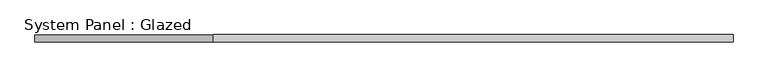
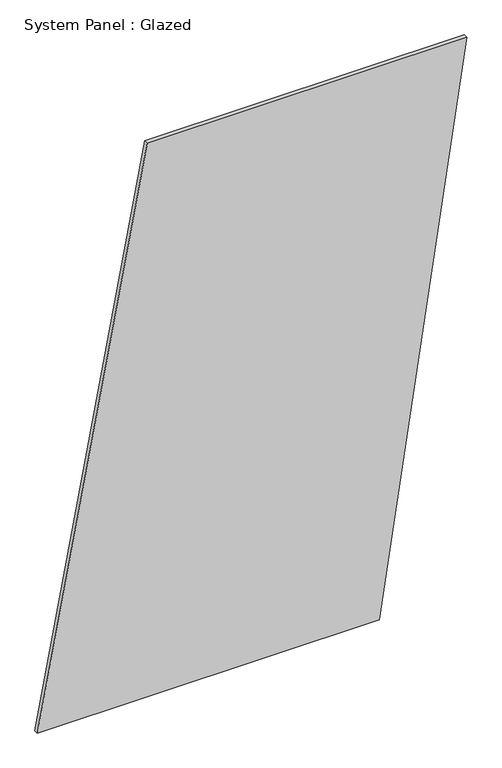
"""IFC4 building model written with IfcOpenShell, lengths in millimetres: plate geometry, System Panel : Glazed."""

from ifc_helpers import new_model, si_unit, frame, origin, place, context, project, spatial, polyline, outline, extrude, source, transform, mapped, element, save


def system_panel_glazed_f274db74(model_context):
    return source(origin(), model_context, "Body", "SweptSolid", [
        extrude(outline(polyline([(0.0, -1223.176603), (0.0, 723.0454462), (3333.4344564, 1223.176603), (3333.4344564, -598.012657), (0.0, -1223.176603)])), frame((0.0, -49.5, 0.0), z_axis=(0.0, 1.0, 0.0), x_axis=(0.0, 0.0, 1.0)), (0.0, 0.0, 1.0), 25.0),
    ])


if __name__ == "__main__":
    model = new_model("IFC4")
    model_context = context("Model", 3, world=origin())
    ifc_project = project(units=[si_unit("LENGTHUNIT", "METRE", prefix="MILLI")], contexts=[model_context])
    site = spatial("IfcSite", under=ifc_project)
    building = spatial("IfcBuilding", under=site)
    placement = place(None, origin())
    system_panel_glazed_shape = system_panel_glazed_f274db74(model_context)
    element("IfcPlate", 1, ObjectType="System Panel : Glazed", at=placement, inside=building, context=model_context, shape_type="MappedRepresentation", body=[
        mapped(system_panel_glazed_shape, transform((0.0, 0.0, 0.0), x_axis=(1.0, 0.0, 0.0), y_axis=(0.0, 1.0, 0.0), z_axis=(0.0, 0.0, 1.0))),
    ])
    save(model, "model.ifc")
